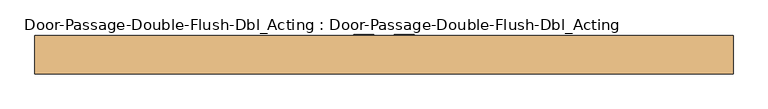
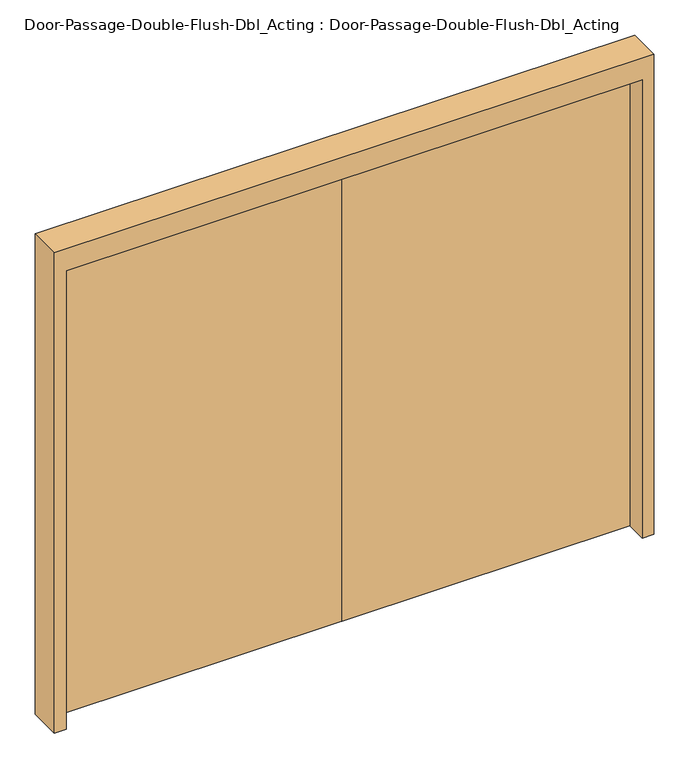
"""IFC4 building model written with IfcOpenShell, lengths in millimetres: door geometry, Door-Passage-Double-Flush-Dbl_Acting : Door-Passage-Double-Flush-Dbl_Acting."""

from ifc_helpers import new_model, si_unit, frame, origin, origin_with_axes, place, context, project, spatial, polyline, outline, extrude, source, transform, mapped, element, save


def door_passage_double_flush_dbl_acting_door_passage_double_e20fe0d4(model_context):
    return source(origin(), model_context, "Body", "SweptSolid", [
        extrude(outline(polyline([(-38.1, 85.725), (-114.3, 85.725), (-114.3, 88.9), (-38.1, 88.9), (-38.1, 85.725)])), frame((0.0, 0.0, 838.2), z_axis=(0.0, 0.0, 1.0), x_axis=(1.0, 0.0, 0.0)), (0.0, 0.0, 1.0), 355.6),
        extrude(outline(polyline([(-38.1, 136.525), (-38.1, 133.35), (-114.3, 133.35), (-114.3, 136.525), (-38.1, 136.525)])), frame((0.0, 0.0, 838.2), z_axis=(0.0, 0.0, 1.0), x_axis=(1.0, 0.0, 0.0)), (0.0, 0.0, 1.0), 355.6),
        extrude(outline(polyline([(38.1, 85.725), (38.1, 88.9), (114.3, 88.9), (114.3, 85.725), (38.1, 85.725)])), frame((0.0, 0.0, 838.2), z_axis=(0.0, 0.0, 1.0), x_axis=(1.0, 0.0, 0.0)), (0.0, 0.0, 1.0), 355.6),
        extrude(outline(polyline([(38.1, 136.525), (114.3, 136.525), (114.3, 133.35), (38.1, 133.35), (38.1, 136.525)])), frame((0.0, 0.0, 838.2), z_axis=(0.0, 0.0, 1.0), x_axis=(1.0, 0.0, 0.0)), (0.0, 0.0, 1.0), 355.6),
        extrude(outline(polyline([(0.0, 1270.0), (0.0, 1320.8), (2235.2, 1320.8), (2235.2, -1320.8), (0.0, -1320.8), (0.0, -1270.0), (2133.6, -1270.0), (2133.6, 1270.0), (0.0, 1270.0)])), frame((0.0, -12.7, 0.0), z_axis=(0.0, 1.0, 0.0), x_axis=(0.0, 0.0, 1.0)), (0.0, 0.0, 1.0), 146.05),
        extrude(outline(polyline([(1270.0, 82.55), (1.5875, 82.55), (1.5875, 88.9), (1270.0, 88.9), (1270.0, 82.55)])), origin_with_axes(), (0.0, 0.0, 1.0), 2133.6),
        extrude(outline(polyline([(-1.5875, 82.55), (-1270.0, 82.55), (-1270.0, 88.9), (-1.5875, 88.9), (-1.5875, 82.55)])), origin_with_axes(), (0.0, 0.0, 1.0), 2133.6),
    ])


if __name__ == "__main__":
    model = new_model("IFC4")
    model_context = context("Model", 3, world=origin())
    ifc_project = project(units=[si_unit("LENGTHUNIT", "METRE", prefix="MILLI")], contexts=[model_context])
    site = spatial("IfcSite", under=ifc_project)
    building = spatial("IfcBuilding", under=site)
    placement = place(None, origin())
    door_passage_double_flush_dbl_acting_door_passage_double_shape = door_passage_double_flush_dbl_acting_door_passage_double_e20fe0d4(model_context)
    element("IfcDoor", 1, ObjectType="Door-Passage-Double-Flush-Dbl_Acting : Door-Passage-Double-Flush-Dbl_Acting", at=placement, inside=building, context=model_context, shape_type="MappedRepresentation", body=[
        mapped(door_passage_double_flush_dbl_acting_door_passage_double_shape, transform((0.0, 0.0, 0.0), x_axis=(1.0, 0.0, 0.0), y_axis=(0.0, 1.0, 0.0), z_axis=(0.0, 0.0, 1.0))),
    ])
    save(model, "model.ifc")
